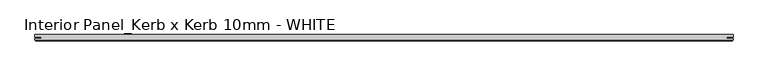
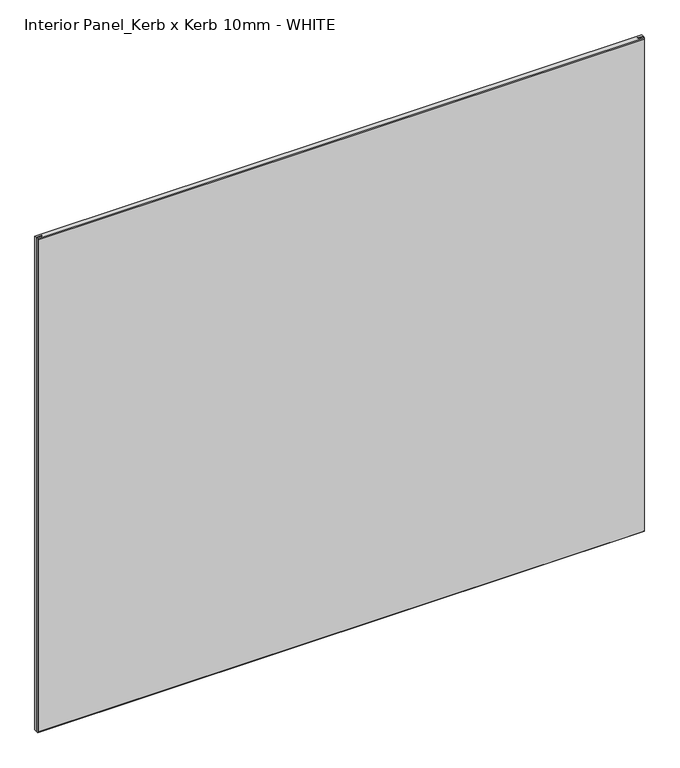
"""IFC4 building model written with IfcOpenShell, lengths in millimetres: proxy geometry, Interior Panel_Kerb x Kerb 10mm - WHITE."""

from ifc_helpers import new_model, si_unit, origin, place, context, project, spatial, faceted_brep, source, transform, mapped, element, save


def interior_panel_kerb_x_kerb_10mm_white_7f5b0011(model_context):
    return source(origin(), model_context, "Body", "Brep", [
        faceted_brep([(990.6, 3.175, 914.4), (-73.025, 3.175, 914.4), (-73.025, -0.5207, 914.4), (-63.2023437, -0.5207, 914.4), (-63.2023437, -2.6543, 914.4), (-73.025, -2.6543, 914.4), (-73.025, -4.7625, 914.4), (990.6, -4.7625, 914.4), (990.6, -2.6543, 914.4), (980.7773437, -2.6543, 914.4), (980.7773437, -0.5207, 914.4), (990.6, -0.5207, 914.4), (990.6, 3.175, 0.0), (990.6, -0.5207, 0.0), (980.7773437, -0.5207, 0.0), (980.7773437, -2.6543, 0.0), (990.6, -2.6543, 0.0), (990.6, -4.7625, 0.0), (-73.025, -4.7625, 0.0), (-73.025, -2.6543, 0.0), (-63.2023437, -2.6543, 0.0), (-63.2023437, -0.5207, 0.0), (-73.025, -0.5207, 0.0), (-73.025, 3.175, 0.0), (-71.4375, -6.35, 912.8125), (-71.4375, -6.35, 1.5875), (989.0125, -6.35, 1.5875), (989.0125, -6.35, 912.8125)], [[[0, 1, 2, 3, 4, 5, 6, 7, 8, 9, 10, 11]], [[12, 13, 14, 15, 16, 17, 18, 19, 20, 21, 22, 23]], [[1, 0, 12, 23]], [[6, 5, 19, 18]], [[24, 25, 26, 27]], [[8, 7, 17, 16]], [[6, 18, 25, 24]], [[17, 7, 27, 26]], [[7, 6, 24, 27]], [[18, 17, 26, 25]], [[9, 8, 16, 15]], [[10, 9, 15, 14]], [[11, 10, 14, 13]], [[0, 11, 13, 12]], [[2, 1, 23, 22]], [[3, 2, 22, 21]], [[4, 3, 21, 20]], [[5, 4, 20, 19]]]),
    ])


if __name__ == "__main__":
    model = new_model("IFC4")
    model_context = context("Model", 3, world=origin())
    ifc_project = project(units=[si_unit("LENGTHUNIT", "METRE", prefix="MILLI")], contexts=[model_context])
    site = spatial("IfcSite", under=ifc_project)
    building = spatial("IfcBuilding", under=site)
    placement = place(None, origin())
    interior_panel_kerb_x_kerb_10mm_white_shape = interior_panel_kerb_x_kerb_10mm_white_7f5b0011(model_context)
    element("IfcBuildingElementProxy", 1, Name="Interior Panel_Kerb x Kerb 10mm - WHITE", ObjectType="Interior Panel_Kerb x Kerb 10mm - WHITE", at=placement, inside=building, context=model_context, shape_type="MappedRepresentation", body=[
        mapped(interior_panel_kerb_x_kerb_10mm_white_shape, transform((0.0, 0.0, 0.0), x_axis=(1.0, 0.0, 0.0), y_axis=(0.0, 1.0, 0.0), z_axis=(0.0, 0.0, 1.0))),
    ])
    save(model, "model.ifc")
